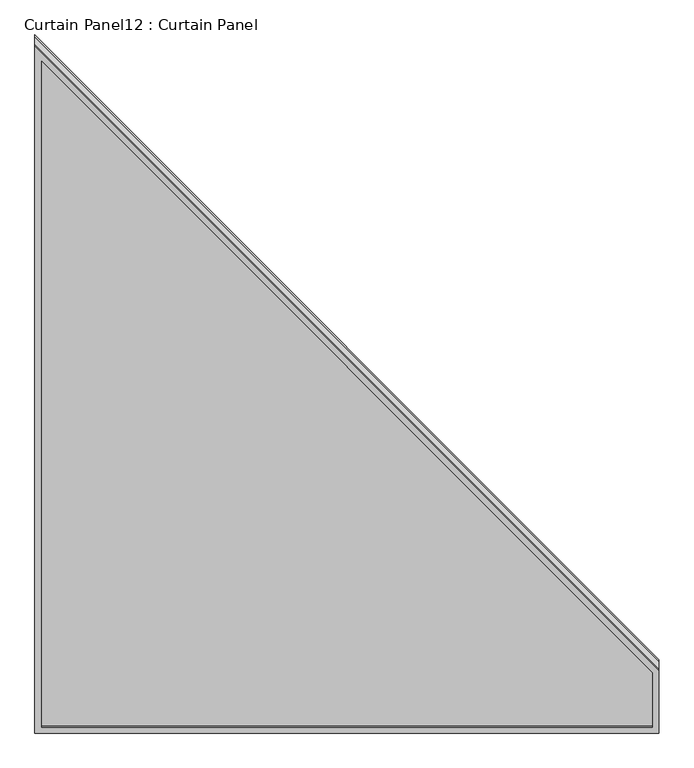
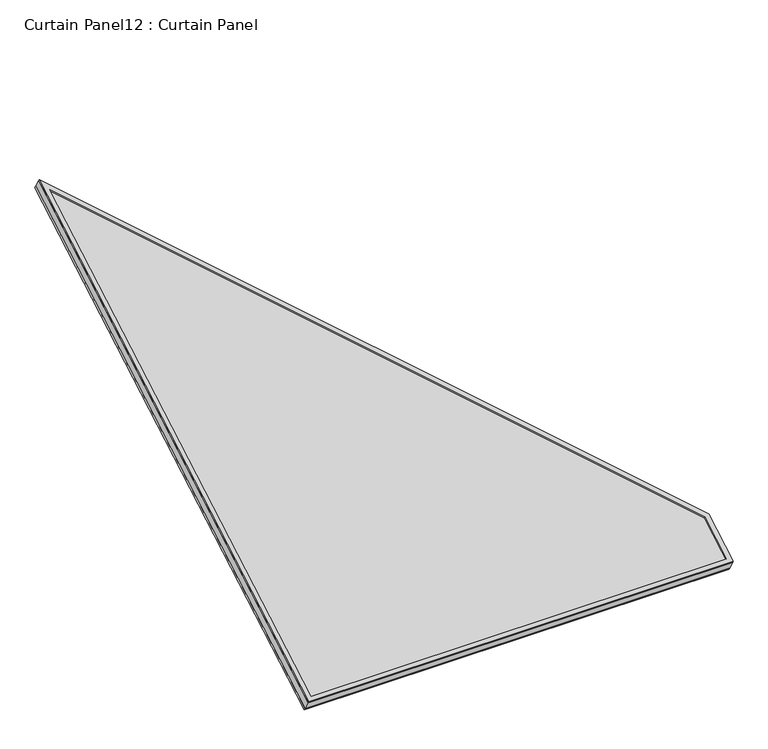
"""IFC4 building model written with IfcOpenShell, lengths in millimetres: plate geometry, Curtain Panel12 : Curtain Panel."""

import ifcopenshell
import ifcopenshell.guid

model = None  # the IFC model being written
_history = None  # IfcOwnerHistory: only IFC2X3 demands one
_inside = {}  # id of a spatial element -> (the spatial element, [elements in it])
_under = {}  # id of a project, library or spatial element -> (it, [spatial elements below it])
_declared = {}  # id of a project -> (the project, [libraries it declares])
_typed = {}  # id of a type object -> (the type object, [elements of that type])
_made_of = {}  # id of a material, layer set ... -> (it, [elements and type objects made of it])


def new_model(schema):
    """Start an empty IFC model of exactly this schema.

    Asked for "IFC4X3", IfcOpenShell would pick the latest addendum, in which some entities
    have other attributes; the version numbers below select the first issue.
    IFC2X3 requires an IfcOwnerHistory on every rooted entity: one is made here for all.
    """
    global model, _history
    if schema == "IFC4X3":
        model = ifcopenshell.file(schema_version=(4, 3, 0, 0))
    else:
        model = ifcopenshell.file(schema=schema)
    _inside.clear()
    _under.clear()
    _declared.clear()
    _typed.clear()
    _made_of.clear()
    _history = None
    if model.schema == "IFC2X3":
        org = make("IfcOrganization", Name="unknown")
        user = make(
            "IfcPersonAndOrganization",
            ThePerson=make("IfcPerson", FamilyName="unknown"),
            TheOrganization=org,
        )
        app = make(
            "IfcApplication",
            ApplicationDeveloper=org,
            Version="unknown",
            ApplicationFullName="unknown",
            ApplicationIdentifier="unknown",
        )
        _history = make(
            "IfcOwnerHistory",
            OwningUser=user,
            OwningApplication=app,
            ChangeAction="ADDED",
            CreationDate=0,
        )
    return model


def make(cls, **values):
    """One entity of the class cls with the attributes given. An attribute that is None is left unset."""
    return model.create_entity(
        cls, **{name: value for name, value in values.items() if value is not None}
    )


def rooted(cls, **values):
    """An entity with a GlobalId (a new one), such as an element, a storey or a relation."""
    return make(cls, GlobalId=ifcopenshell.guid.new(), OwnerHistory=_history, **values)


def si_unit(unit_type, name, prefix=None):
    """IfcSIUnit, for example si_unit("LENGTHUNIT", "METRE", prefix="MILLI")."""
    return make("IfcSIUnit", UnitType=unit_type, Prefix=prefix, Name=name)


def assignment(units):
    """IfcUnitAssignment: the units of a project."""
    return None if units is None else make("IfcUnitAssignment", Units=units)


def point(xyz):
    """IfcCartesianPoint."""
    return None if xyz is None else make("IfcCartesianPoint", Coordinates=xyz)


def direction(xyz):
    """IfcDirection."""
    return None if xyz is None else make("IfcDirection", DirectionRatios=xyz)


def frame(location, z_axis=None, x_axis=None):
    """IfcAxis2Placement3D, a coordinate frame: its origin and axes. An axis left out is left unset."""
    return make(
        "IfcAxis2Placement3D",
        Location=point(location),
        Axis=direction(z_axis),
        RefDirection=direction(x_axis),
    )


def origin():
    """The frame at (0, 0, 0) with its axes left unset."""
    return frame((0.0, 0.0, 0.0))


def place(relative_to, where):
    """IfcLocalPlacement: puts the frame where relative to a parent placement (None: the world)."""
    return make(
        "IfcLocalPlacement", PlacementRelTo=relative_to, RelativePlacement=where
    )


def context(
    kind, dimensions, precision=None, world=None, true_north=None, identifier=None
):
    """IfcGeometricRepresentationContext, for example the 3D "Model" context."""
    return make(
        "IfcGeometricRepresentationContext",
        ContextIdentifier=identifier,
        ContextType=kind,
        CoordinateSpaceDimension=dimensions,
        Precision=precision,
        WorldCoordinateSystem=world,
        TrueNorth=true_north,
    )


def project(units=None, contexts=None):
    """IfcProject with its units and contexts."""
    return rooted(
        "IfcProject",
        Name="project",
        RepresentationContexts=contexts,
        UnitsInContext=assignment(units),
    )


def spatial(cls, under=None, at=None, **own):
    """A site, building, storey or space (cls), placed at a placement, below another one or the project."""
    s = rooted(cls, ObjectPlacement=at, **own)
    if under is not None:
        _under.setdefault(under.id(), (under, []))[1].append(s)
    return s


def polyline(points):
    """IfcPolyline through the points."""
    return make("IfcPolyline", Points=[point(p) for p in points])


def outline(outer, holes=None, kind="AREA"):
    """IfcArbitraryClosedProfileDef: a profile drawn as a closed curve; with holes, ...WithVoids."""
    if holes is None:
        return make("IfcArbitraryClosedProfileDef", ProfileType=kind, OuterCurve=outer)
    return make(
        "IfcArbitraryProfileDefWithVoids",
        ProfileType=kind,
        OuterCurve=outer,
        InnerCurves=holes,
    )


def extrude(swept, where, along, depth):
    """IfcExtrudedAreaSolid: the profile swept, set in the frame where, extruded along a direction by depth."""
    return make(
        "IfcExtrudedAreaSolid",
        SweptArea=swept,
        Position=where,
        ExtrudedDirection=direction(along),
        Depth=depth,
    )


def shape(context_of_items, identifier, shape_type, items):
    """IfcShapeRepresentation: the items that make up one representation, for example the "Body"."""
    return make(
        "IfcShapeRepresentation",
        ContextOfItems=context_of_items,
        RepresentationIdentifier=identifier,
        RepresentationType=shape_type,
        Items=items,
    )


def source(mapping_origin, context_of_items, identifier, shape_type, items):
    """IfcRepresentationMap: a shape defined once, which mapped items show again and again."""
    return make(
        "IfcRepresentationMap",
        MappingOrigin=mapping_origin,
        MappedRepresentation=shape(context_of_items, identifier, shape_type, items),
    )


def transform(
    local_origin,
    x_axis=None,
    y_axis=None,
    z_axis=None,
    scale=None,
    scale2=None,
    scale3=None,
    uniform=True,
):
    """IfcCartesianTransformationOperator3D, or its non-uniform kind. x_axis, y_axis, z_axis: its Axis1, 2, 3."""
    if uniform:
        return make(
            "IfcCartesianTransformationOperator3D",
            Axis1=direction(x_axis),
            Axis2=direction(y_axis),
            LocalOrigin=point(local_origin),
            Scale=scale,
            Axis3=direction(z_axis),
        )
    return make(
        "IfcCartesianTransformationOperator3DnonUniform",
        Axis1=direction(x_axis),
        Axis2=direction(y_axis),
        LocalOrigin=point(local_origin),
        Scale=scale,
        Axis3=direction(z_axis),
        Scale2=scale2,
        Scale3=scale3,
    )


def mapped(mapping_source, mapping_target):
    """IfcMappedItem: shows the shape of a source again, moved by a transform."""
    return make(
        "IfcMappedItem", MappingSource=mapping_source, MappingTarget=mapping_target
    )


def made_of(thing, what):
    """Note that an element or type object is made of a material, layer set ...; save() writes the relation."""
    if what is not None:
        _made_of.setdefault(what.id(), (what, []))[1].append(thing)
    return thing


def element(
    cls,
    number,
    at=None,
    inside=None,
    cuts=None,
    type_object=None,
    material=None,
    context=None,
    identifier="Body",
    shape_type=None,
    held_by="IfcProductDefinitionShape",
    body=None,
    shapes=None,
    **own,
):
    """One element of the class cls, such as IfcWall. Its Tag is "e" and its number.

    at: its placement. inside: the storey or other place that contains it. cuts: it is an
    opening in that element (IfcRelVoidsElement). A single representation is given by context,
    identifier, shape_type and body (its items); several are given by shapes. held_by: the class
    of the entity that holds the representations. save() writes the other relations.
    """
    e = rooted(cls, Tag="e%d" % number, ObjectPlacement=at, **own)
    if body is not None:
        shapes = [shape(context, identifier, shape_type, body)]
    if shapes is not None:
        e.Representation = make(held_by, Representations=shapes)
    if inside is not None:
        _inside.setdefault(inside.id(), (inside, []))[1].append(e)
    if cuts is not None:
        rooted(
            "IfcRelVoidsElement", RelatingBuildingElement=cuts, RelatedOpeningElement=e
        )
    if type_object is not None:
        _typed.setdefault(type_object.id(), (type_object, []))[1].append(e)
    return made_of(e, material)


def aggregate(whole, parts):
    """IfcRelAggregates: a whole, such as a stair, and the parts it consists of."""
    return rooted("IfcRelAggregates", RelatingObject=whole, RelatedObjects=parts)


def save(model, path):
    """Write the relations noted so far, then the file.

    IfcRelAggregates (storeys below a building ...), IfcRelContainedInSpatialStructure (elements
    in a storey), IfcRelDefinesByType, IfcRelAssociatesMaterial and IfcRelDeclares: one each for
    every whole, place, type object, material and project.
    """
    for whole, parts in _under.values():
        aggregate(whole, parts)
    for where, things in _inside.values():
        rooted(
            "IfcRelContainedInSpatialStructure",
            RelatedElements=things,
            RelatingStructure=where,
        )
    for kind, things in _typed.values():
        rooted("IfcRelDefinesByType", RelatedObjects=things, RelatingType=kind)
    for what, things in _made_of.values():
        rooted("IfcRelAssociatesMaterial", RelatedObjects=things, RelatingMaterial=what)
    for by, libraries in _declared.values():
        rooted("IfcRelDeclares", RelatingContext=by, RelatedDefinitions=libraries)
    model.write(path)


def curtain_panel12_curtain_panel_0ea3f3d9(model_context):
    return source(origin(), model_context, "Body", "SweptSolid", [
        extrude(outline(polyline([(1482.7525724, -12.7), (-34.0642674, -12.7), (1344.4172354, 1181.1), (1482.7525724, 1181.1), (1482.7525724, -12.7)]), holes=[polyline([(1470.0525724, 1168.4), (1349.152109, 1168.4), (0.0, 0.0), (1470.0525724, 0.0), (1470.0525724, 1168.4)])]), frame((-7089.7692107, 7214.2322993, 1341.4979361), z_axis=(0.0, -0.5000000000000024, 0.8660254037844373), x_axis=(0.0, -0.8660254037844373, -0.5000000000000024)), (0.0, 0.0, 1.0), 4.7673936),
        extrude(outline(polyline([(1482.7525725, -12.7), (-34.0642673, -12.7), (1344.4172355, 1181.1), (1482.7525725, 1181.1), (1482.7525725, -12.7)]), holes=[polyline([(1470.0525725, 1168.4), (1349.152109, 1168.4), (0.0, 0.0), (1470.0525725, 0.0), (1470.0525725, 1168.4)])]), frame((-7089.7692107, 7232.6600234, 1309.5801818), z_axis=(0.0, -0.5000000000000028, 0.8660254037844372), x_axis=(0.0, -0.8660254037844372, -0.5000000000000028)), (0.0, 0.0, 1.0), 6.6929481),
        extrude(outline(polyline([(12.7, 0.0), (1206.5, 0.0), (1206.5, -1516.8168397), (12.7, -138.335337), (12.7, 0.0)])), frame((-5895.9692107, 5945.2121541, 574.0001587), z_axis=(0.0, -0.5000000000000002, 0.8660254037844386), x_axis=(-1.0, 0.0, 0.0)), (0.0, 0.0, 1.0), 30.1625),
    ])


if __name__ == "__main__":
    model = new_model("IFC4")
    model_context = context("Model", 3, world=origin())
    ifc_project = project(units=[si_unit("LENGTHUNIT", "METRE", prefix="MILLI")], contexts=[model_context])
    site = spatial("IfcSite", under=ifc_project)
    building = spatial("IfcBuilding", under=site)
    placement = place(None, origin())
    curtain_panel12_curtain_panel_shape = curtain_panel12_curtain_panel_0ea3f3d9(model_context)
    element("IfcPlate", 1, ObjectType="Curtain Panel12 : Curtain Panel", at=placement, inside=building, context=model_context, shape_type="MappedRepresentation", body=[
        mapped(curtain_panel12_curtain_panel_shape, transform((0.0, 0.0, 0.0), x_axis=(1.0, 0.0, 0.0), y_axis=(0.0, 1.0, 0.0), z_axis=(0.0, 0.0, 1.0))),
    ])
    save(model, "model.ifc")
